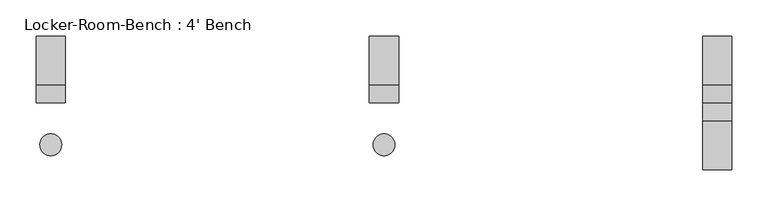
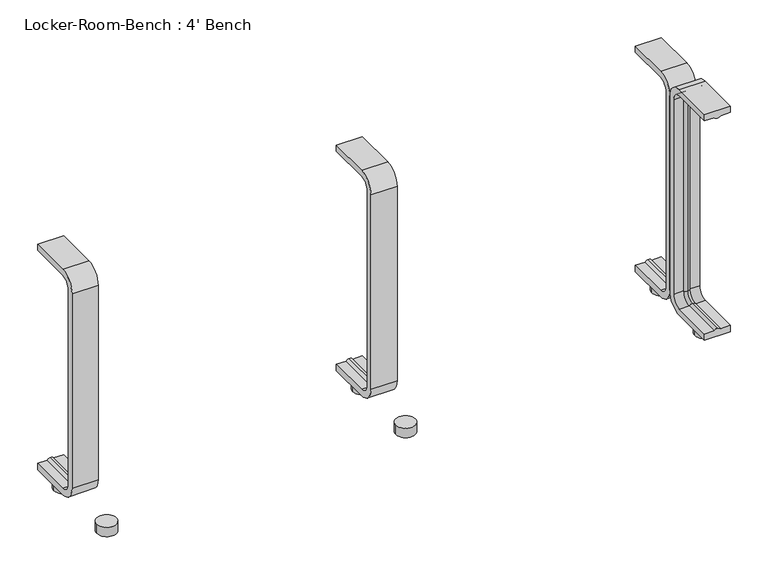
"""IFC4 building model written with IfcOpenShell, lengths in millimetres: furniture geometry, Locker-Room-Bench : 4' Bench."""

from ifc_helpers import new_model, si_unit, point, frame, frame_2d, origin, origin_with_axes, place, context, project, spatial, polyline, circle_curve, ellipse_curve, trimmed, segment, composite_curve, outline, extrude, source, transform, mapped, element, save
from ifc_brep_helpers import plane_surface, cylinder_surface, revolved_surface, advanced_brep


def locker_room_bench_4_bench_fc5dcc5e(model_context):
    return source(origin(), model_context, "Body", "SolidModel", [
        extrude(outline(composite_curve([segment(trimmed(circle_curve(frame_2d((459.6, -57.5)), 15.0), [point((444.6, -57.5))], [point((474.6, -57.5))], False, "CARTESIAN"), True, "CONTINUOUS"), segment(trimmed(circle_curve(frame_2d((459.6, -57.5)), 15.0), [point((474.6, -57.5))], [point((444.6, -57.5))], False, "CARTESIAN"), True, "CONTINUOUS")], self_intersect=False)), origin_with_axes(), (0.0, 0.0, 1.0), 15.0),
        extrude(outline(composite_curve([segment(trimmed(circle_curve(frame_2d((459.6, 57.5)), 15.0), [point((444.6, 57.5))], [point((474.6, 57.5))], False, "CARTESIAN"), True, "CONTINUOUS"), segment(trimmed(circle_curve(frame_2d((459.6, 57.5)), 15.0), [point((474.6, 57.5))], [point((444.6, 57.5))], False, "CARTESIAN"), True, "CONTINUOUS")], self_intersect=False)), origin_with_axes(), (0.0, 0.0, 1.0), 15.0),
        extrude(outline(composite_curve([segment(trimmed(circle_curve(frame_2d((0.0, -57.5)), 15.0), [point((-15.0, -57.5))], [point((15.0, -57.5))], False, "CARTESIAN"), True, "CONTINUOUS"), segment(trimmed(circle_curve(frame_2d((0.0, -57.5)), 15.0), [point((15.0, -57.5))], [point((-15.0, -57.5))], False, "CARTESIAN"), True, "CONTINUOUS")], self_intersect=False)), origin_with_axes(), (0.0, 0.0, 1.0), 15.0),
        extrude(outline(composite_curve([segment(trimmed(circle_curve(frame_2d((0.0, 57.5)), 15.0), [point((-15.0, 57.5))], [point((15.0, 57.5))], False, "CARTESIAN"), True, "CONTINUOUS"), segment(trimmed(circle_curve(frame_2d((0.0, 57.5)), 15.0), [point((15.0, 57.5))], [point((-15.0, 57.5))], False, "CARTESIAN"), True, "CONTINUOUS")], self_intersect=False)), origin_with_axes(), (0.0, 0.0, 1.0), 15.0),
        extrude(outline(composite_curve([segment(trimmed(circle_curve(frame_2d((-459.6, -57.5)), 15.0), [point((-474.6, -57.5))], [point((-444.6, -57.5))], False, "CARTESIAN"), True, "CONTINUOUS"), segment(trimmed(circle_curve(frame_2d((-459.6, -57.5)), 15.0), [point((-444.6, -57.5))], [point((-474.6, -57.5))], False, "CARTESIAN"), True, "CONTINUOUS")], self_intersect=False)), origin_with_axes(), (0.0, 0.0, 1.0), 15.0),
        extrude(outline(composite_curve([segment(trimmed(circle_curve(frame_2d((-459.6, 57.5)), 15.0), [point((-474.6, 57.5))], [point((-444.6, 57.5))], False, "CARTESIAN"), True, "CONTINUOUS"), segment(trimmed(circle_curve(frame_2d((-459.6, 57.5)), 15.0), [point((-444.6, 57.5))], [point((-474.6, 57.5))], False, "CARTESIAN"), True, "CONTINUOUS")], self_intersect=False)), origin_with_axes(), (0.0, 0.0, 1.0), 15.0),
        advanced_brep(
        [(479.6, 92.0, 381.4), (479.6, 92.0, 371.4), (464.6, 92.0, 371.4), (459.6, 92.0, 369.0684617), (454.6, 92.0, 371.4), (439.6, 92.0, 371.4), (439.6, 92.0, 381.4), (479.6, 25.0, 381.4), (479.6, 0.0, 356.4), (479.6, 0.0, 40.0), (479.6, 25.0, 15.0), (479.6, 92.0, 15.0), (479.6, 92.0, 25.0), (479.6, 25.0, 25.0), (479.6, 10.0, 40.0), (479.6, 10.0, 356.4), (479.6, 25.0, 371.4), (464.6, 25.0, 371.4), (459.6, 25.0, 369.0684617), (454.6, 25.0, 371.4), (439.6, 25.0, 371.4), (439.6, 10.0, 356.4), (439.6, 10.0, 40.0), (439.6, 25.0, 25.0), (439.6, 92.0, 25.0), (439.6, 92.0, 15.0), (439.6, 25.0, 15.0), (439.6, 0.0, 40.0), (439.6, 0.0, 356.4), (439.6, 25.0, 381.4), (464.6, 10.0, 356.4), (459.6, 12.3315383, 356.4), (454.6, 10.0, 356.4), (464.6, 10.0, 40.0), (459.6, 12.3315383, 40.0), (454.6, 10.0, 40.0), (464.6, 25.0, 25.0), (459.6, 25.0, 27.3315383), (454.6, 25.0, 25.0), (454.6, 92.0, 25.0), (459.6, 92.0, 27.3315383), (464.6, 92.0, 25.0)],
        [
            (0, 1),
            (1, 2),
            (2, 3, circle_curve(frame((459.8996409, 92.0, 374.9529162), z_axis=(0.0, 1.0, 0.0), x_axis=(0.0, 0.0, -1.0)), 5.8920785)),
            (3, 4, circle_curve(frame((459.3003591, 92.0, 374.9529162), z_axis=(0.0, 1.0, 0.0), x_axis=(0.0, 0.0, -1.0)), 5.8920785)),
            (4, 5),
            (5, 6),
            (6, 0),
            (0, 7),
            (7, 8, circle_curve(frame((479.6, 25.0, 356.4), z_axis=(1.0, 0.0, 0.0), x_axis=(0.0, 0.0, 1.0)), 25.0)),
            (8, 9),
            (9, 10, circle_curve(frame((479.6, 25.0, 40.0), z_axis=(1.0, 0.0, 0.0), x_axis=(0.0, -1.0, 0.0)), 25.0)),
            (10, 11),
            (11, 12),
            (12, 13),
            (13, 14, circle_curve(frame((479.6, 25.0, 40.0), z_axis=(-1.0, 0.0, 0.0), x_axis=(0.0, -1.0, 0.0)), 15.0)),
            (14, 15),
            (15, 16, circle_curve(frame((479.6, 25.0, 356.4), z_axis=(-1.0, 0.0, 0.0), x_axis=(0.0, 0.0, 1.0)), 15.0)),
            (16, 1),
            (16, 17),
            (17, 2),
            (17, 18, circle_curve(frame((459.8996409, 25.0, 374.9529162), z_axis=(0.0, 1.0, 0.0), x_axis=(0.0, 0.0, -1.0)), 5.8920785)),
            (18, 3),
            (18, 19, circle_curve(frame((459.3003591, 25.0, 374.9529162), z_axis=(0.0, 1.0, 0.0), x_axis=(0.0, 0.0, -1.0)), 5.8920785)),
            (19, 4),
            (19, 20),
            (20, 5),
            (20, 21, circle_curve(frame((439.6, 25.0, 356.4), z_axis=(1.0, 0.0, 0.0), x_axis=(0.0, 0.0, 1.0)), 15.0)),
            (21, 22),
            (22, 23, circle_curve(frame((439.6, 25.0, 40.0), z_axis=(1.0, 0.0, 0.0), x_axis=(0.0, -1.0, 0.0)), 15.0)),
            (23, 24),
            (24, 25),
            (25, 26),
            (26, 27, circle_curve(frame((439.6, 25.0, 40.0), z_axis=(-1.0, 0.0, 0.0), x_axis=(0.0, -1.0, 0.0)), 25.0)),
            (27, 28),
            (28, 29, circle_curve(frame((439.6, 25.0, 356.4), z_axis=(-1.0, 0.0, 0.0), x_axis=(0.0, 0.0, 1.0)), 25.0)),
            (29, 6),
            (29, 7),
            (30, 17, circle_curve(frame((464.6, 25.0, 356.4), z_axis=(-1.0, 0.0, 0.0), x_axis=(0.0, 0.0, 1.0)), 15.0)),
            (15, 30),
            (31, 18, circle_curve(frame((459.6, 25.0, 356.4), z_axis=(-1.0, 0.0, 0.0), x_axis=(0.0, 0.0, 1.0)), 12.6684617)),
            (30, 31, circle_curve(frame((459.8996409, 6.4470838, 356.4), z_axis=(0.0, 0.0, 1.0), x_axis=(0.0, 1.0, 0.0)), 5.8920785)),
            (32, 19, circle_curve(frame((454.6, 25.0, 356.4), z_axis=(-1.0, 0.0, 0.0), x_axis=(0.0, 0.0, 1.0)), 15.0)),
            (31, 32, circle_curve(frame((459.3003591, 6.4470838, 356.4), z_axis=(0.0, 0.0, 1.0), x_axis=(0.0, 1.0, 0.0)), 5.8920785)),
            (32, 21),
            (28, 8),
            (14, 33),
            (33, 30),
            (33, 34, circle_curve(frame((459.8996409, 6.4470838, 40.0), z_axis=(0.0, 0.0, 1.0), x_axis=(0.0, 1.0, 0.0)), 5.8920785)),
            (34, 31),
            (34, 35, circle_curve(frame((459.3003591, 6.4470838, 40.0), z_axis=(0.0, 0.0, 1.0), x_axis=(0.0, 1.0, 0.0)), 5.8920785)),
            (35, 32),
            (35, 22),
            (27, 9),
            (36, 33, circle_curve(frame((464.6, 25.0, 40.0), z_axis=(-1.0, 0.0, 0.0), x_axis=(0.0, -1.0, 0.0)), 15.0)),
            (13, 36),
            (37, 34, circle_curve(frame((459.6, 25.0, 40.0), z_axis=(-1.0, 0.0, 0.0), x_axis=(0.0, -1.0, 0.0)), 12.6684617)),
            (36, 37, circle_curve(frame((459.8996409, 25.0, 21.4470838), z_axis=(0.0, -1.0, 0.0), x_axis=(0.0, 0.0, 1.0)), 5.8920785)),
            (38, 35, circle_curve(frame((454.6, 25.0, 40.0), z_axis=(-1.0, 0.0, 0.0), x_axis=(0.0, -1.0, 0.0)), 15.0)),
            (37, 38, circle_curve(frame((459.3003591, 25.0, 21.4470838), z_axis=(0.0, -1.0, 0.0), x_axis=(0.0, 0.0, 1.0)), 5.8920785)),
            (38, 23),
            (26, 10),
            (11, 25),
            (24, 39),
            (39, 40, circle_curve(frame((459.3003591, 92.0, 21.4470838), z_axis=(0.0, 1.0, 0.0), x_axis=(0.0, 0.0, 1.0)), 5.8920785)),
            (40, 41, circle_curve(frame((459.8996409, 92.0, 21.4470838), z_axis=(0.0, 1.0, 0.0), x_axis=(0.0, 0.0, 1.0)), 5.8920785)),
            (41, 12),
            (41, 36),
            (40, 37),
            (39, 38),
        ],
        [
            plane_surface(frame((459.6, 92.0, 381.4), z_axis=(0.0, 1.0, 0.0), x_axis=(1.0, 0.0, 0.0))),
            plane_surface(frame((479.6, 92.0, 381.4), z_axis=(1.0, 0.0, 0.0), x_axis=(0.0, -1.0, 0.0))),
            plane_surface(frame((479.6, 92.0, 371.4), z_axis=(0.0, 0.0, -1.0), x_axis=(0.0, -1.0, 0.0))),
            cylinder_surface(frame((459.8996409, 92.0, 374.9529162), z_axis=(0.0, 1.0, 0.0), x_axis=(0.0, 0.0, -1.0)), 5.8920785),
            cylinder_surface(frame((459.3003591, 92.0, 374.9529162), z_axis=(0.0, 1.0, 0.0), x_axis=(0.0, 0.0, -1.0)), 5.8920785),
            plane_surface(frame((454.6, 92.0, 371.4), z_axis=(0.0, 0.0, -1.0), x_axis=(0.0, -1.0, 0.0))),
            plane_surface(frame((439.6, 92.0, 371.4), z_axis=(-1.0, 0.0, 0.0), x_axis=(0.0, -1.0, 0.0))),
            plane_surface(frame((439.6, 92.0, 381.4), z_axis=(0.0, 0.0, 1.0), x_axis=(0.0, -1.0, 0.0))),
            revolved_surface(polyline([(479.6, 25.0, 371.4), (464.6, 25.0, 371.4)]), (459.6, 25.0, 356.4), (1.0, 0.0, 0.0)),
            revolved_surface(trimmed(ellipse_curve(frame((459.8996409, 25.0, 374.9529162), z_axis=(0.0, 1.0, 0.0), x_axis=(0.0, 0.0, -1.0)), 5.8920785, 5.8920785), [point((464.6, 25.0, 371.4))], [point((459.6, 25.0, 369.0684617))], True, "CARTESIAN"), (459.6, 25.0, 356.4), (1.0, 0.0, 0.0)),
            revolved_surface(trimmed(ellipse_curve(frame((459.3003591, 25.0, 374.9529162), z_axis=(0.0, 1.0, 0.0), x_axis=(0.0, 0.0, -1.0)), 5.8920785, 5.8920785), [point((459.6, 25.0, 369.0684617))], [point((454.6, 25.0, 371.4))], True, "CARTESIAN"), (459.6, 25.0, 356.4), (1.0, 0.0, 0.0)),
            revolved_surface(polyline([(454.6, 25.0, 371.4), (439.6, 25.0, 371.4)]), (459.6, 25.0, 356.4), (1.0, 0.0, 0.0)),
            cylinder_surface(frame((459.6, 25.0, 356.4), z_axis=(1.0, 0.0, 0.0), x_axis=(0.0, 0.0, 1.0)), 25.0),
            plane_surface(frame((479.6, 10.0, 356.4), z_axis=(0.0, 1.0, 0.0), x_axis=(0.0, 0.0, -1.0))),
            cylinder_surface(frame((459.8996409, 6.4470838, 356.4), z_axis=(0.0, 0.0, 1.0), x_axis=(0.0, 1.0, 0.0)), 5.8920785),
            cylinder_surface(frame((459.3003591, 6.4470838, 356.4), z_axis=(0.0, 0.0, 1.0), x_axis=(0.0, 1.0, 0.0)), 5.8920785),
            plane_surface(frame((454.6, 10.0, 356.4), z_axis=(0.0, 1.0, 0.0), x_axis=(0.0, 0.0, -1.0))),
            plane_surface(frame((439.6, 0.0, 356.4), z_axis=(0.0, -1.0, 0.0), x_axis=(0.0, 0.0, -1.0))),
            revolved_surface(polyline([(479.6, 10.0, 40.0), (464.6, 10.0, 40.0)]), (459.6, 25.0, 40.0), (1.0, 0.0, 0.0)),
            revolved_surface(trimmed(ellipse_curve(frame((459.8996409, 6.4470838, 40.0), z_axis=(0.0, 0.0, 1.0), x_axis=(0.0, 1.0, 0.0)), 5.8920785, 5.8920785), [point((464.6, 10.0, 40.0))], [point((459.6, 12.3315383, 40.0))], True, "CARTESIAN"), (459.6, 25.0, 40.0), (1.0, 0.0, 0.0)),
            revolved_surface(trimmed(ellipse_curve(frame((459.3003591, 6.4470838, 40.0), z_axis=(0.0, 0.0, 1.0), x_axis=(0.0, 1.0, 0.0)), 5.8920785, 5.8920785), [point((459.6, 12.3315383, 40.0))], [point((454.6, 10.0, 40.0))], True, "CARTESIAN"), (459.6, 25.0, 40.0), (1.0, 0.0, 0.0)),
            revolved_surface(polyline([(454.6, 10.0, 40.0), (439.6, 10.0, 40.0)]), (459.6, 25.0, 40.0), (1.0, 0.0, 0.0)),
            cylinder_surface(frame((459.6, 25.0, 40.0), z_axis=(1.0, 0.0, 0.0), x_axis=(0.0, -1.0, 0.0)), 25.0),
            plane_surface(frame((459.6, 92.0, 15.0), z_axis=(0.0, 1.0, 0.0), x_axis=(1.0, 0.0, 0.0))),
            plane_surface(frame((479.6, 25.0, 25.0), z_axis=(0.0, 0.0, 1.0), x_axis=(0.0, 1.0, 0.0))),
            cylinder_surface(frame((459.8996409, 25.0, 21.4470838), z_axis=(0.0, -1.0, 0.0), x_axis=(0.0, 0.0, 1.0)), 5.8920785),
            cylinder_surface(frame((459.3003591, 25.0, 21.4470838), z_axis=(0.0, -1.0, 0.0), x_axis=(0.0, 0.0, 1.0)), 5.8920785),
            plane_surface(frame((454.6, 25.0, 25.0), z_axis=(0.0, 0.0, 1.0), x_axis=(0.0, 1.0, 0.0))),
            plane_surface(frame((439.6, 25.0, 15.0), z_axis=(0.0, 0.0, -1.0), x_axis=(0.0, 1.0, 0.0))),
        ],
        [
            (0, [[1, 2, 3, 4, 5, 6, 7]]),
            (1, [[-1, 8, 9, 10, 11, 12, 13, 14, 15, 16, 17, 18]]),
            (2, [[-2, -18, 19, 20]]),
            (3, [[-3, -20, 21, 22]]),
            (4, [[-4, -22, 23, 24]]),
            (5, [[-5, -24, 25, 26]]),
            (6, [[-6, -26, 27, 28, 29, 30, 31, 32, 33, 34, 35, 36]]),
            (7, [[-7, -36, 37, -8]]),
            (8, [[38, -19, -17, 39]]),
            (9, [[40, -21, -38, 41]]),
            (10, [[42, -23, -40, 43]]),
            (11, [[-27, -25, -42, 44]]),
            (12, [[-9, -37, -35, 45]]),
            (13, [[-39, -16, 46, 47]]),
            (14, [[-41, -47, 48, 49]]),
            (15, [[-43, -49, 50, 51]]),
            (16, [[-44, -51, 52, -28]]),
            (17, [[-45, -34, 53, -10]]),
            (18, [[54, -46, -15, 55]]),
            (19, [[56, -48, -54, 57]]),
            (20, [[58, -50, -56, 59]]),
            (21, [[-29, -52, -58, 60]]),
            (22, [[-11, -53, -33, 61]]),
            (23, [[62, -31, 63, 64, 65, 66, -13]]),
            (24, [[-55, -14, -66, 67]]),
            (25, [[-57, -67, -65, 68]]),
            (26, [[-59, -68, -64, 69]]),
            (27, [[-60, -69, -63, -30]]),
            (28, [[-61, -32, -62, -12]]),
        ],
    ),
        advanced_brep(
        [(20.0, 92.0, 381.4), (20.0, 92.0, 371.4), (5.0, 92.0, 371.4), (0.0, 92.0, 369.0684617), (-5.0, 92.0, 371.4), (-20.0, 92.0, 371.4), (-20.0, 92.0, 381.4), (20.0, 25.0, 381.4), (20.0, 0.0, 356.4), (20.0, 0.0, 40.0), (20.0, 25.0, 15.0), (20.0, 92.0, 15.0), (20.0, 92.0, 25.0), (20.0, 25.0, 25.0), (20.0, 10.0, 40.0), (20.0, 10.0, 356.4), (20.0, 25.0, 371.4), (5.0, 25.0, 371.4), (0.0, 25.0, 369.0684617), (-5.0, 25.0, 371.4), (-20.0, 25.0, 371.4), (-20.0, 10.0, 356.4), (-20.0, 10.0, 40.0), (-20.0, 25.0, 25.0), (-20.0, 92.0, 25.0), (-20.0, 92.0, 15.0), (-20.0, 25.0, 15.0), (-20.0, 0.0, 40.0), (-20.0, 0.0, 356.4), (-20.0, 25.0, 381.4), (5.0, 10.0, 356.4), (0.0, 12.3315383, 356.4), (-5.0, 10.0, 356.4), (5.0, 10.0, 40.0), (0.0, 12.3315383, 40.0), (-5.0, 10.0, 40.0), (5.0, 25.0, 25.0), (0.0, 25.0, 27.3315383), (-5.0, 25.0, 25.0), (-5.0, 92.0, 25.0), (0.0, 92.0, 27.3315383), (5.0, 92.0, 25.0)],
        [
            (0, 1),
            (1, 2),
            (2, 3, circle_curve(frame((0.2996409, 92.0, 374.9529162), z_axis=(0.0, 1.0, 0.0), x_axis=(0.0, 0.0, -1.0)), 5.8920785)),
            (3, 4, circle_curve(frame((-0.2996409, 92.0, 374.9529162), z_axis=(0.0, 1.0, 0.0), x_axis=(0.0, 0.0, -1.0)), 5.8920785)),
            (4, 5),
            (5, 6),
            (6, 0),
            (0, 7),
            (7, 8, circle_curve(frame((20.0, 25.0, 356.4), z_axis=(1.0, 0.0, 0.0), x_axis=(0.0, 0.0, 1.0)), 25.0)),
            (8, 9),
            (9, 10, circle_curve(frame((20.0, 25.0, 40.0), z_axis=(1.0, 0.0, 0.0), x_axis=(0.0, -1.0, 0.0)), 25.0)),
            (10, 11),
            (11, 12),
            (12, 13),
            (13, 14, circle_curve(frame((20.0, 25.0, 40.0), z_axis=(-1.0, 0.0, 0.0), x_axis=(0.0, -1.0, 0.0)), 15.0)),
            (14, 15),
            (15, 16, circle_curve(frame((20.0, 25.0, 356.4), z_axis=(-1.0, 0.0, 0.0), x_axis=(0.0, 0.0, 1.0)), 15.0)),
            (16, 1),
            (16, 17),
            (17, 2),
            (17, 18, circle_curve(frame((0.2996409, 25.0, 374.9529162), z_axis=(0.0, 1.0, 0.0), x_axis=(0.0, 0.0, -1.0)), 5.8920785)),
            (18, 3),
            (18, 19, circle_curve(frame((-0.2996409, 25.0, 374.9529162), z_axis=(0.0, 1.0, 0.0), x_axis=(0.0, 0.0, -1.0)), 5.8920785)),
            (19, 4),
            (19, 20),
            (20, 5),
            (20, 21, circle_curve(frame((-20.0, 25.0, 356.4), z_axis=(1.0, 0.0, 0.0), x_axis=(0.0, 0.0, 1.0)), 15.0)),
            (21, 22),
            (22, 23, circle_curve(frame((-20.0, 25.0, 40.0), z_axis=(1.0, 0.0, 0.0), x_axis=(0.0, -1.0, 0.0)), 15.0)),
            (23, 24),
            (24, 25),
            (25, 26),
            (26, 27, circle_curve(frame((-20.0, 25.0, 40.0), z_axis=(-1.0, 0.0, 0.0), x_axis=(0.0, -1.0, 0.0)), 25.0)),
            (27, 28),
            (28, 29, circle_curve(frame((-20.0, 25.0, 356.4), z_axis=(-1.0, 0.0, 0.0), x_axis=(0.0, 0.0, 1.0)), 25.0)),
            (29, 6),
            (29, 7),
            (30, 17, circle_curve(frame((5.0, 25.0, 356.4), z_axis=(-1.0, 0.0, 0.0), x_axis=(0.0, 0.0, 1.0)), 15.0)),
            (15, 30),
            (31, 18, circle_curve(frame((0.0, 25.0, 356.4), z_axis=(-1.0, 0.0, 0.0), x_axis=(0.0, 0.0, 1.0)), 12.6684617)),
            (30, 31, circle_curve(frame((0.2996409, 6.4470838, 356.4), z_axis=(0.0, 0.0, 1.0), x_axis=(0.0, 1.0, 0.0)), 5.8920785)),
            (32, 19, circle_curve(frame((-5.0, 25.0, 356.4), z_axis=(-1.0, 0.0, 0.0), x_axis=(0.0, 0.0, 1.0)), 15.0)),
            (31, 32, circle_curve(frame((-0.2996409, 6.4470838, 356.4), z_axis=(0.0, 0.0, 1.0), x_axis=(0.0, 1.0, 0.0)), 5.8920785)),
            (32, 21),
            (28, 8),
            (14, 33),
            (33, 30),
            (33, 34, circle_curve(frame((0.2996409, 6.4470838, 40.0), z_axis=(0.0, 0.0, 1.0), x_axis=(0.0, 1.0, 0.0)), 5.8920785)),
            (34, 31),
            (34, 35, circle_curve(frame((-0.2996409, 6.4470838, 40.0), z_axis=(0.0, 0.0, 1.0), x_axis=(0.0, 1.0, 0.0)), 5.8920785)),
            (35, 32),
            (35, 22),
            (27, 9),
            (36, 33, circle_curve(frame((5.0, 25.0, 40.0), z_axis=(-1.0, 0.0, 0.0), x_axis=(0.0, -1.0, 0.0)), 15.0)),
            (13, 36),
            (37, 34, circle_curve(frame((0.0, 25.0, 40.0), z_axis=(-1.0, 0.0, 0.0), x_axis=(0.0, -1.0, 0.0)), 12.6684617)),
            (36, 37, circle_curve(frame((0.2996409, 25.0, 21.4470838), z_axis=(0.0, -1.0, 0.0), x_axis=(0.0, 0.0, 1.0)), 5.8920785)),
            (38, 35, circle_curve(frame((-5.0, 25.0, 40.0), z_axis=(-1.0, 0.0, 0.0), x_axis=(0.0, -1.0, 0.0)), 15.0)),
            (37, 38, circle_curve(frame((-0.2996409, 25.0, 21.4470838), z_axis=(0.0, -1.0, 0.0), x_axis=(0.0, 0.0, 1.0)), 5.8920785)),
            (38, 23),
            (26, 10),
            (11, 25),
            (24, 39),
            (39, 40, circle_curve(frame((-0.2996409, 92.0, 21.4470838), z_axis=(0.0, 1.0, 0.0), x_axis=(0.0, 0.0, 1.0)), 5.8920785)),
            (40, 41, circle_curve(frame((0.2996409, 92.0, 21.4470838), z_axis=(0.0, 1.0, 0.0), x_axis=(0.0, 0.0, 1.0)), 5.8920785)),
            (41, 12),
            (41, 36),
            (40, 37),
            (39, 38),
        ],
        [
            plane_surface(frame((0.0, 92.0, 381.4), z_axis=(0.0, 1.0, 0.0), x_axis=(1.0, 0.0, 0.0))),
            plane_surface(frame((20.0, 92.0, 381.4), z_axis=(1.0, 0.0, 0.0), x_axis=(0.0, -1.0, 0.0))),
            plane_surface(frame((20.0, 92.0, 371.4), z_axis=(0.0, 0.0, -1.0), x_axis=(0.0, -1.0, 0.0))),
            cylinder_surface(frame((0.2996409, 92.0, 374.9529162), z_axis=(0.0, 1.0, 0.0), x_axis=(0.0, 0.0, -1.0)), 5.8920785),
            cylinder_surface(frame((-0.2996409, 92.0, 374.9529162), z_axis=(0.0, 1.0, 0.0), x_axis=(0.0, 0.0, -1.0)), 5.8920785),
            plane_surface(frame((-5.0, 92.0, 371.4), z_axis=(0.0, 0.0, -1.0), x_axis=(0.0, -1.0, 0.0))),
            plane_surface(frame((-20.0, 92.0, 371.4), z_axis=(-1.0, 0.0, 0.0), x_axis=(0.0, -1.0, 0.0))),
            plane_surface(frame((-20.0, 92.0, 381.4), z_axis=(0.0, 0.0, 1.0), x_axis=(0.0, -1.0, 0.0))),
            revolved_surface(polyline([(20.0, 25.0, 371.4), (5.0, 25.0, 371.4)]), (0.0, 25.0, 356.4), (1.0, 0.0, 0.0)),
            revolved_surface(trimmed(ellipse_curve(frame((0.2996409, 25.0, 374.9529162), z_axis=(0.0, 1.0, 0.0), x_axis=(0.0, 0.0, -1.0)), 5.8920785, 5.8920785), [point((5.0, 25.0, 371.4))], [point((0.0, 25.0, 369.0684617))], True, "CARTESIAN"), (0.0, 25.0, 356.4), (1.0, 0.0, 0.0)),
            revolved_surface(trimmed(ellipse_curve(frame((-0.2996409, 25.0, 374.9529162), z_axis=(0.0, 1.0, 0.0), x_axis=(0.0, 0.0, -1.0)), 5.8920785, 5.8920785), [point((0.0, 25.0, 369.0684617))], [point((-5.0, 25.0, 371.4))], True, "CARTESIAN"), (0.0, 25.0, 356.4), (1.0, 0.0, 0.0)),
            revolved_surface(polyline([(-5.0, 25.0, 371.4), (-20.0, 25.0, 371.4)]), (0.0, 25.0, 356.4), (1.0, 0.0, 0.0)),
            cylinder_surface(frame((0.0, 25.0, 356.4), z_axis=(1.0, 0.0, 0.0), x_axis=(0.0, 0.0, 1.0)), 25.0),
            plane_surface(frame((20.0, 10.0, 356.4), z_axis=(0.0, 1.0, 0.0), x_axis=(0.0, 0.0, -1.0))),
            cylinder_surface(frame((0.2996409, 6.4470838, 356.4), z_axis=(0.0, 0.0, 1.0), x_axis=(0.0, 1.0, 0.0)), 5.8920785),
            cylinder_surface(frame((-0.2996409, 6.4470838, 356.4), z_axis=(0.0, 0.0, 1.0), x_axis=(0.0, 1.0, 0.0)), 5.8920785),
            plane_surface(frame((-5.0, 10.0, 356.4), z_axis=(0.0, 1.0, 0.0), x_axis=(0.0, 0.0, -1.0))),
            plane_surface(frame((-20.0, 0.0, 356.4), z_axis=(0.0, -1.0, 0.0), x_axis=(0.0, 0.0, -1.0))),
            revolved_surface(polyline([(20.0, 10.0, 40.0), (5.0, 10.0, 40.0)]), (0.0, 25.0, 40.0), (1.0, 0.0, 0.0)),
            revolved_surface(trimmed(ellipse_curve(frame((0.2996409, 6.4470838, 40.0), z_axis=(0.0, 0.0, 1.0), x_axis=(0.0, 1.0, 0.0)), 5.8920785, 5.8920785), [point((5.0, 10.0, 40.0))], [point((0.0, 12.3315383, 40.0))], True, "CARTESIAN"), (0.0, 25.0, 40.0), (1.0, 0.0, 0.0)),
            revolved_surface(trimmed(ellipse_curve(frame((-0.2996409, 6.4470838, 40.0), z_axis=(0.0, 0.0, 1.0), x_axis=(0.0, 1.0, 0.0)), 5.8920785, 5.8920785), [point((0.0, 12.3315383, 40.0))], [point((-5.0, 10.0, 40.0))], True, "CARTESIAN"), (0.0, 25.0, 40.0), (1.0, 0.0, 0.0)),
            revolved_surface(polyline([(-5.0, 10.0, 40.0), (-20.0, 10.0, 40.0)]), (0.0, 25.0, 40.0), (1.0, 0.0, 0.0)),
            cylinder_surface(frame((0.0, 25.0, 40.0), z_axis=(1.0, 0.0, 0.0), x_axis=(0.0, -1.0, 0.0)), 25.0),
            plane_surface(frame((0.0, 92.0, 15.0), z_axis=(0.0, 1.0, 0.0), x_axis=(1.0, 0.0, 0.0))),
            plane_surface(frame((20.0, 25.0, 25.0), z_axis=(0.0, 0.0, 1.0), x_axis=(0.0, 1.0, 0.0))),
            cylinder_surface(frame((0.2996409, 25.0, 21.4470838), z_axis=(0.0, -1.0, 0.0), x_axis=(0.0, 0.0, 1.0)), 5.8920785),
            cylinder_surface(frame((-0.2996409, 25.0, 21.4470838), z_axis=(0.0, -1.0, 0.0), x_axis=(0.0, 0.0, 1.0)), 5.8920785),
            plane_surface(frame((-5.0, 25.0, 25.0), z_axis=(0.0, 0.0, 1.0), x_axis=(0.0, 1.0, 0.0))),
            plane_surface(frame((-20.0, 25.0, 15.0), z_axis=(0.0, 0.0, -1.0), x_axis=(0.0, 1.0, 0.0))),
        ],
        [
            (0, [[1, 2, 3, 4, 5, 6, 7]]),
            (1, [[-1, 8, 9, 10, 11, 12, 13, 14, 15, 16, 17, 18]]),
            (2, [[-2, -18, 19, 20]]),
            (3, [[-3, -20, 21, 22]]),
            (4, [[-4, -22, 23, 24]]),
            (5, [[-5, -24, 25, 26]]),
            (6, [[-6, -26, 27, 28, 29, 30, 31, 32, 33, 34, 35, 36]]),
            (7, [[-7, -36, 37, -8]]),
            (8, [[38, -19, -17, 39]]),
            (9, [[40, -21, -38, 41]]),
            (10, [[42, -23, -40, 43]]),
            (11, [[-27, -25, -42, 44]]),
            (12, [[-9, -37, -35, 45]]),
            (13, [[-39, -16, 46, 47]]),
            (14, [[-41, -47, 48, 49]]),
            (15, [[-43, -49, 50, 51]]),
            (16, [[-44, -51, 52, -28]]),
            (17, [[-45, -34, 53, -10]]),
            (18, [[54, -46, -15, 55]]),
            (19, [[56, -48, -54, 57]]),
            (20, [[58, -50, -56, 59]]),
            (21, [[-29, -52, -58, 60]]),
            (22, [[-11, -53, -33, 61]]),
            (23, [[62, -31, 63, 64, 65, 66, -13]]),
            (24, [[-55, -14, -66, 67]]),
            (25, [[-57, -67, -65, 68]]),
            (26, [[-59, -68, -64, 69]]),
            (27, [[-60, -69, -63, -30]]),
            (28, [[-61, -32, -62, -12]]),
        ],
    ),
        advanced_brep(
        [(-439.6, 92.0, 381.4), (-439.6, 92.0, 371.4), (-454.6, 92.0, 371.4), (-459.6, 92.0, 369.0684617), (-464.6, 92.0, 371.4), (-479.6, 92.0, 371.4), (-479.6, 92.0, 381.4), (-439.6, 25.0, 381.4), (-439.6, 0.0, 356.4), (-439.6, 0.0, 40.0), (-439.6, 25.0, 15.0), (-439.6, 92.0, 15.0), (-439.6, 92.0, 25.0), (-439.6, 25.0, 25.0), (-439.6, 10.0, 40.0), (-439.6, 10.0, 356.4), (-439.6, 25.0, 371.4), (-454.6, 25.0, 371.4), (-459.6, 25.0, 369.0684617), (-464.6, 25.0, 371.4), (-479.6, 25.0, 371.4), (-479.6, 10.0, 356.4), (-479.6, 10.0, 40.0), (-479.6, 25.0, 25.0), (-479.6, 92.0, 25.0), (-479.6, 92.0, 15.0), (-479.6, 25.0, 15.0), (-479.6, 0.0, 40.0), (-479.6, 0.0, 356.4), (-479.6, 25.0, 381.4), (-454.6, 10.0, 356.4), (-459.6, 12.3315383, 356.4), (-464.6, 10.0, 356.4), (-454.6, 10.0, 40.0), (-459.6, 12.3315383, 40.0), (-464.6, 10.0, 40.0), (-454.6, 25.0, 25.0), (-459.6, 25.0, 27.3315383), (-464.6, 25.0, 25.0), (-464.6, 92.0, 25.0), (-459.6, 92.0, 27.3315383), (-454.6, 92.0, 25.0)],
        [
            (0, 1),
            (1, 2),
            (2, 3, circle_curve(frame((-459.3003591, 92.0, 374.9529162), z_axis=(0.0, 1.0, 0.0), x_axis=(0.0, 0.0, -1.0)), 5.8920785)),
            (3, 4, circle_curve(frame((-459.8996409, 92.0, 374.9529162), z_axis=(0.0, 1.0, 0.0), x_axis=(0.0, 0.0, -1.0)), 5.8920785)),
            (4, 5),
            (5, 6),
            (6, 0),
            (0, 7),
            (7, 8, circle_curve(frame((-439.6, 25.0, 356.4), z_axis=(1.0, 0.0, 0.0), x_axis=(0.0, 0.0, 1.0)), 25.0)),
            (8, 9),
            (9, 10, circle_curve(frame((-439.6, 25.0, 40.0), z_axis=(1.0, 0.0, 0.0), x_axis=(0.0, -1.0, 0.0)), 25.0)),
            (10, 11),
            (11, 12),
            (12, 13),
            (13, 14, circle_curve(frame((-439.6, 25.0, 40.0), z_axis=(-1.0, 0.0, 0.0), x_axis=(0.0, -1.0, 0.0)), 15.0)),
            (14, 15),
            (15, 16, circle_curve(frame((-439.6, 25.0, 356.4), z_axis=(-1.0, 0.0, 0.0), x_axis=(0.0, 0.0, 1.0)), 15.0)),
            (16, 1),
            (16, 17),
            (17, 2),
            (17, 18, circle_curve(frame((-459.3003591, 25.0, 374.9529162), z_axis=(0.0, 1.0, 0.0), x_axis=(0.0, 0.0, -1.0)), 5.8920785)),
            (18, 3),
            (18, 19, circle_curve(frame((-459.8996409, 25.0, 374.9529162), z_axis=(0.0, 1.0, 0.0), x_axis=(0.0, 0.0, -1.0)), 5.8920785)),
            (19, 4),
            (19, 20),
            (20, 5),
            (20, 21, circle_curve(frame((-479.6, 25.0, 356.4), z_axis=(1.0, 0.0, 0.0), x_axis=(0.0, 0.0, 1.0)), 15.0)),
            (21, 22),
            (22, 23, circle_curve(frame((-479.6, 25.0, 40.0), z_axis=(1.0, 0.0, 0.0), x_axis=(0.0, -1.0, 0.0)), 15.0)),
            (23, 24),
            (24, 25),
            (25, 26),
            (26, 27, circle_curve(frame((-479.6, 25.0, 40.0), z_axis=(-1.0, 0.0, 0.0), x_axis=(0.0, -1.0, 0.0)), 25.0)),
            (27, 28),
            (28, 29, circle_curve(frame((-479.6, 25.0, 356.4), z_axis=(-1.0, 0.0, 0.0), x_axis=(0.0, 0.0, 1.0)), 25.0)),
            (29, 6),
            (29, 7),
            (30, 17, circle_curve(frame((-454.6, 25.0, 356.4), z_axis=(-1.0, 0.0, 0.0), x_axis=(0.0, 0.0, 1.0)), 15.0)),
            (15, 30),
            (31, 18, circle_curve(frame((-459.6, 25.0, 356.4), z_axis=(-1.0, 0.0, 0.0), x_axis=(0.0, 0.0, 1.0)), 12.6684617)),
            (30, 31, circle_curve(frame((-459.3003591, 6.4470838, 356.4), z_axis=(0.0, 0.0, 1.0), x_axis=(0.0, 1.0, 0.0)), 5.8920785)),
            (32, 19, circle_curve(frame((-464.6, 25.0, 356.4), z_axis=(-1.0, 0.0, 0.0), x_axis=(0.0, 0.0, 1.0)), 15.0)),
            (31, 32, circle_curve(frame((-459.8996409, 6.4470838, 356.4), z_axis=(0.0, 0.0, 1.0), x_axis=(0.0, 1.0, 0.0)), 5.8920785)),
            (32, 21),
            (28, 8),
            (14, 33),
            (33, 30),
            (33, 34, circle_curve(frame((-459.3003591, 6.4470838, 40.0), z_axis=(0.0, 0.0, 1.0), x_axis=(0.0, 1.0, 0.0)), 5.8920785)),
            (34, 31),
            (34, 35, circle_curve(frame((-459.8996409, 6.4470838, 40.0), z_axis=(0.0, 0.0, 1.0), x_axis=(0.0, 1.0, 0.0)), 5.8920785)),
            (35, 32),
            (35, 22),
            (27, 9),
            (36, 33, circle_curve(frame((-454.6, 25.0, 40.0), z_axis=(-1.0, 0.0, 0.0), x_axis=(0.0, -1.0, 0.0)), 15.0)),
            (13, 36),
            (37, 34, circle_curve(frame((-459.6, 25.0, 40.0), z_axis=(-1.0, 0.0, 0.0), x_axis=(0.0, -1.0, 0.0)), 12.6684617)),
            (36, 37, circle_curve(frame((-459.3003591, 25.0, 21.4470838), z_axis=(0.0, -1.0, 0.0), x_axis=(0.0, 0.0, 1.0)), 5.8920785)),
            (38, 35, circle_curve(frame((-464.6, 25.0, 40.0), z_axis=(-1.0, 0.0, 0.0), x_axis=(0.0, -1.0, 0.0)), 15.0)),
            (37, 38, circle_curve(frame((-459.8996409, 25.0, 21.4470838), z_axis=(0.0, -1.0, 0.0), x_axis=(0.0, 0.0, 1.0)), 5.8920785)),
            (38, 23),
            (26, 10),
            (11, 25),
            (24, 39),
            (39, 40, circle_curve(frame((-459.8996409, 92.0, 21.4470838), z_axis=(0.0, 1.0, 0.0), x_axis=(0.0, 0.0, 1.0)), 5.8920785)),
            (40, 41, circle_curve(frame((-459.3003591, 92.0, 21.4470838), z_axis=(0.0, 1.0, 0.0), x_axis=(0.0, 0.0, 1.0)), 5.8920785)),
            (41, 12),
            (41, 36),
            (40, 37),
            (39, 38),
        ],
        [
            plane_surface(frame((-459.6, 92.0, 381.4), z_axis=(0.0, 1.0, 0.0), x_axis=(1.0, 0.0, 0.0))),
            plane_surface(frame((-439.6, 92.0, 381.4), z_axis=(1.0, 0.0, 0.0), x_axis=(0.0, -1.0, 0.0))),
            plane_surface(frame((-439.6, 92.0, 371.4), z_axis=(0.0, 0.0, -1.0), x_axis=(0.0, -1.0, 0.0))),
            cylinder_surface(frame((-459.3003591, 92.0, 374.9529162), z_axis=(0.0, 1.0, 0.0), x_axis=(0.0, 0.0, -1.0)), 5.8920785),
            cylinder_surface(frame((-459.8996409, 92.0, 374.9529162), z_axis=(0.0, 1.0, 0.0), x_axis=(0.0, 0.0, -1.0)), 5.8920785),
            plane_surface(frame((-464.6, 92.0, 371.4), z_axis=(0.0, 0.0, -1.0), x_axis=(0.0, -1.0, 0.0))),
            plane_surface(frame((-479.6, 92.0, 371.4), z_axis=(-1.0, 0.0, 0.0), x_axis=(0.0, -1.0, 0.0))),
            plane_surface(frame((-479.6, 92.0, 381.4), z_axis=(0.0, 0.0, 1.0), x_axis=(0.0, -1.0, 0.0))),
            revolved_surface(polyline([(-439.6, 25.0, 371.4), (-454.6, 25.0, 371.4)]), (-459.6, 25.0, 356.4), (1.0, 0.0, 0.0)),
            revolved_surface(trimmed(ellipse_curve(frame((-459.3003591, 25.0, 374.9529162), z_axis=(0.0, 1.0, 0.0), x_axis=(0.0, 0.0, -1.0)), 5.8920785, 5.8920785), [point((-454.6, 25.0, 371.4))], [point((-459.6, 25.0, 369.0684617))], True, "CARTESIAN"), (-459.6, 25.0, 356.4), (1.0, 0.0, 0.0)),
            revolved_surface(trimmed(ellipse_curve(frame((-459.8996409, 25.0, 374.9529162), z_axis=(0.0, 1.0, 0.0), x_axis=(0.0, 0.0, -1.0)), 5.8920785, 5.8920785), [point((-459.6, 25.0, 369.0684617))], [point((-464.6, 25.0, 371.4))], True, "CARTESIAN"), (-459.6, 25.0, 356.4), (1.0, 0.0, 0.0)),
            revolved_surface(polyline([(-464.6, 25.0, 371.4), (-479.6, 25.0, 371.4)]), (-459.6, 25.0, 356.4), (1.0, 0.0, 0.0)),
            cylinder_surface(frame((-459.6, 25.0, 356.4), z_axis=(1.0, 0.0, 0.0), x_axis=(0.0, 0.0, 1.0)), 25.0),
            plane_surface(frame((-439.6, 10.0, 356.4), z_axis=(0.0, 1.0, 0.0), x_axis=(0.0, 0.0, -1.0))),
            cylinder_surface(frame((-459.3003591, 6.4470838, 356.4), z_axis=(0.0, 0.0, 1.0), x_axis=(0.0, 1.0, 0.0)), 5.8920785),
            cylinder_surface(frame((-459.8996409, 6.4470838, 356.4), z_axis=(0.0, 0.0, 1.0), x_axis=(0.0, 1.0, 0.0)), 5.8920785),
            plane_surface(frame((-464.6, 10.0, 356.4), z_axis=(0.0, 1.0, 0.0), x_axis=(0.0, 0.0, -1.0))),
            plane_surface(frame((-479.6, 0.0, 356.4), z_axis=(0.0, -1.0, 0.0), x_axis=(0.0, 0.0, -1.0))),
            revolved_surface(polyline([(-439.6, 10.0, 40.0), (-454.6, 10.0, 40.0)]), (-459.6, 25.0, 40.0), (1.0, 0.0, 0.0)),
            revolved_surface(trimmed(ellipse_curve(frame((-459.3003591, 6.4470838, 40.0), z_axis=(0.0, 0.0, 1.0), x_axis=(0.0, 1.0, 0.0)), 5.8920785, 5.8920785), [point((-454.6, 10.0, 40.0))], [point((-459.6, 12.3315383, 40.0))], True, "CARTESIAN"), (-459.6, 25.0, 40.0), (1.0, 0.0, 0.0)),
            revolved_surface(trimmed(ellipse_curve(frame((-459.8996409, 6.4470838, 40.0), z_axis=(0.0, 0.0, 1.0), x_axis=(0.0, 1.0, 0.0)), 5.8920785, 5.8920785), [point((-459.6, 12.3315383, 40.0))], [point((-464.6, 10.0, 40.0))], True, "CARTESIAN"), (-459.6, 25.0, 40.0), (1.0, 0.0, 0.0)),
            revolved_surface(polyline([(-464.6, 10.0, 40.0), (-479.6, 10.0, 40.0)]), (-459.6, 25.0, 40.0), (1.0, 0.0, 0.0)),
            cylinder_surface(frame((-459.6, 25.0, 40.0), z_axis=(1.0, 0.0, 0.0), x_axis=(0.0, -1.0, 0.0)), 25.0),
            plane_surface(frame((-459.6, 92.0, 15.0), z_axis=(0.0, 1.0, 0.0), x_axis=(1.0, 0.0, 0.0))),
            plane_surface(frame((-439.6, 25.0, 25.0), z_axis=(0.0, 0.0, 1.0), x_axis=(0.0, 1.0, 0.0))),
            cylinder_surface(frame((-459.3003591, 25.0, 21.4470838), z_axis=(0.0, -1.0, 0.0), x_axis=(0.0, 0.0, 1.0)), 5.8920785),
            cylinder_surface(frame((-459.8996409, 25.0, 21.4470838), z_axis=(0.0, -1.0, 0.0), x_axis=(0.0, 0.0, 1.0)), 5.8920785),
            plane_surface(frame((-464.6, 25.0, 25.0), z_axis=(0.0, 0.0, 1.0), x_axis=(0.0, 1.0, 0.0))),
            plane_surface(frame((-479.6, 25.0, 15.0), z_axis=(0.0, 0.0, -1.0), x_axis=(0.0, 1.0, 0.0))),
        ],
        [
            (0, [[1, 2, 3, 4, 5, 6, 7]]),
            (1, [[-1, 8, 9, 10, 11, 12, 13, 14, 15, 16, 17, 18]]),
            (2, [[-2, -18, 19, 20]]),
            (3, [[-3, -20, 21, 22]]),
            (4, [[-4, -22, 23, 24]]),
            (5, [[-5, -24, 25, 26]]),
            (6, [[-6, -26, 27, 28, 29, 30, 31, 32, 33, 34, 35, 36]]),
            (7, [[-7, -36, 37, -8]]),
            (8, [[38, -19, -17, 39]]),
            (9, [[40, -21, -38, 41]]),
            (10, [[42, -23, -40, 43]]),
            (11, [[-27, -25, -42, 44]]),
            (12, [[-9, -37, -35, 45]]),
            (13, [[-39, -16, 46, 47]]),
            (14, [[-41, -47, 48, 49]]),
            (15, [[-43, -49, 50, 51]]),
            (16, [[-44, -51, 52, -28]]),
            (17, [[-45, -34, 53, -10]]),
            (18, [[54, -46, -15, 55]]),
            (19, [[56, -48, -54, 57]]),
            (20, [[58, -50, -56, 59]]),
            (21, [[-29, -52, -58, 60]]),
            (22, [[-11, -53, -33, 61]]),
            (23, [[62, -31, 63, 64, 65, 66, -13]]),
            (24, [[-55, -14, -66, 67]]),
            (25, [[-57, -67, -65, 68]]),
            (26, [[-59, -68, -64, 69]]),
            (27, [[-60, -69, -63, -30]]),
            (28, [[-61, -32, -62, -12]]),
        ],
    ),
        advanced_brep(
        [(479.6, -92.0, 381.4), (439.6, -92.0, 381.4), (439.6, -92.0, 371.4), (454.6, -92.0, 371.4), (459.6, -92.0, 369.0684617), (464.6, -92.0, 371.4), (479.6, -92.0, 371.4), (479.6, -25.0, 381.4), (439.6, -25.0, 381.4), (439.6, 0.0, 356.4), (439.6, 0.0, 40.0), (439.6, -25.0, 15.0), (439.6, -92.0, 15.0), (439.6, -92.0, 25.0), (439.6, -25.0, 25.0), (439.6, -10.0, 40.0), (439.6, -10.0, 356.4), (439.6, -25.0, 371.4), (454.6, -25.0, 371.4), (459.6, -25.0, 369.0684617), (464.6, -25.0, 371.4), (479.6, -25.0, 371.4), (479.6, -10.0, 356.4), (479.6, -10.0, 40.0), (479.6, -25.0, 25.0), (479.6, -92.0, 25.0), (479.6, -92.0, 15.0), (479.6, -25.0, 15.0), (479.6, 0.0, 40.0), (479.6, 0.0, 356.4), (454.6, -10.0, 356.4), (459.6, -12.3315383, 356.4), (464.6, -10.0, 356.4), (454.6, -10.0, 40.0), (459.6, -12.3315383, 40.0), (464.6, -10.0, 40.0), (454.6, -25.0, 25.0), (459.6, -25.0, 27.3315383), (464.6, -25.0, 25.0), (464.6, -92.0, 25.0), (459.6, -92.0, 27.3315383), (454.6, -92.0, 25.0)],
        [
            (0, 1),
            (1, 2),
            (2, 3),
            (3, 4, circle_curve(frame((459.3003591, -92.0, 374.9529162), z_axis=(0.0, -1.0, 0.0), x_axis=(0.0, 0.0, 1.0)), 5.8920785)),
            (4, 5, circle_curve(frame((459.8996409, -92.0, 374.9529162), z_axis=(0.0, -1.0, 0.0), x_axis=(0.0, 0.0, 1.0)), 5.8920785)),
            (5, 6),
            (6, 0),
            (0, 7),
            (7, 8),
            (8, 1),
            (8, 9, circle_curve(frame((439.6, -25.0, 356.4), z_axis=(-1.0, 0.0, 0.0), x_axis=(0.0, 0.0, 1.0)), 25.0)),
            (9, 10),
            (10, 11, circle_curve(frame((439.6, -25.0, 40.0), z_axis=(-1.0, 0.0, 0.0), x_axis=(0.0, 1.0, 0.0)), 25.0)),
            (11, 12),
            (12, 13),
            (13, 14),
            (14, 15, circle_curve(frame((439.6, -25.0, 40.0), z_axis=(1.0, 0.0, 0.0), x_axis=(0.0, 1.0, 0.0)), 15.0)),
            (15, 16),
            (16, 17, circle_curve(frame((439.6, -25.0, 356.4), z_axis=(1.0, 0.0, 0.0), x_axis=(0.0, 0.0, 1.0)), 15.0)),
            (17, 2),
            (17, 18),
            (18, 3),
            (18, 19, circle_curve(frame((459.3003591, -25.0, 374.9529162), z_axis=(0.0, -1.0, 0.0), x_axis=(0.0, 0.0, 1.0)), 5.8920785)),
            (19, 4),
            (19, 20, circle_curve(frame((459.8996409, -25.0, 374.9529162), z_axis=(0.0, -1.0, 0.0), x_axis=(0.0, 0.0, 1.0)), 5.8920785)),
            (20, 5),
            (20, 21),
            (21, 6),
            (21, 22, circle_curve(frame((479.6, -25.0, 356.4), z_axis=(-1.0, 0.0, 0.0), x_axis=(0.0, 0.0, 1.0)), 15.0)),
            (22, 23),
            (23, 24, circle_curve(frame((479.6, -25.0, 40.0), z_axis=(-1.0, 0.0, 0.0), x_axis=(0.0, 1.0, 0.0)), 15.0)),
            (24, 25),
            (25, 26),
            (26, 27),
            (27, 28, circle_curve(frame((479.6, -25.0, 40.0), z_axis=(1.0, 0.0, 0.0), x_axis=(0.0, 1.0, 0.0)), 25.0)),
            (28, 29),
            (29, 7, circle_curve(frame((479.6, -25.0, 356.4), z_axis=(1.0, 0.0, 0.0), x_axis=(0.0, 0.0, 1.0)), 25.0)),
            (29, 9),
            (30, 18, circle_curve(frame((454.6, -25.0, 356.4), z_axis=(1.0, 0.0, 0.0), x_axis=(0.0, 0.0, 1.0)), 15.0)),
            (16, 30),
            (31, 19, circle_curve(frame((459.6, -25.0, 356.4), z_axis=(1.0, 0.0, 0.0), x_axis=(0.0, 0.0, 1.0)), 12.6684617)),
            (30, 31, circle_curve(frame((459.3003591, -6.4470838, 356.4), z_axis=(0.0, 0.0, 1.0), x_axis=(0.0, 1.0, 0.0)), 5.8920785)),
            (32, 20, circle_curve(frame((464.6, -25.0, 356.4), z_axis=(1.0, 0.0, 0.0), x_axis=(0.0, 0.0, 1.0)), 15.0)),
            (31, 32, circle_curve(frame((459.8996409, -6.4470838, 356.4), z_axis=(0.0, 0.0, 1.0), x_axis=(0.0, 1.0, 0.0)), 5.8920785)),
            (32, 22),
            (28, 10),
            (15, 33),
            (33, 30),
            (33, 34, circle_curve(frame((459.3003591, -6.4470838, 40.0), z_axis=(0.0, 0.0, 1.0), x_axis=(0.0, 1.0, 0.0)), 5.8920785)),
            (34, 31),
            (34, 35, circle_curve(frame((459.8996409, -6.4470838, 40.0), z_axis=(0.0, 0.0, 1.0), x_axis=(0.0, 1.0, 0.0)), 5.8920785)),
            (35, 32),
            (35, 23),
            (27, 11),
            (36, 33, circle_curve(frame((454.6, -25.0, 40.0), z_axis=(1.0, 0.0, 0.0), x_axis=(0.0, 1.0, 0.0)), 15.0)),
            (14, 36),
            (37, 34, circle_curve(frame((459.6, -25.0, 40.0), z_axis=(1.0, 0.0, 0.0), x_axis=(0.0, 1.0, 0.0)), 12.6684617)),
            (36, 37, circle_curve(frame((459.3003591, -25.0, 21.4470838), z_axis=(0.0, 1.0, 0.0), x_axis=(0.0, 0.0, -1.0)), 5.8920785)),
            (38, 35, circle_curve(frame((464.6, -25.0, 40.0), z_axis=(1.0, 0.0, 0.0), x_axis=(0.0, 1.0, 0.0)), 15.0)),
            (37, 38, circle_curve(frame((459.8996409, -25.0, 21.4470838), z_axis=(0.0, 1.0, 0.0), x_axis=(0.0, 0.0, -1.0)), 5.8920785)),
            (38, 24),
            (25, 39),
            (39, 40, circle_curve(frame((459.8996409, -92.0, 21.4470838), z_axis=(0.0, -1.0, 0.0), x_axis=(0.0, 0.0, -1.0)), 5.8920785)),
            (40, 41, circle_curve(frame((459.3003591, -92.0, 21.4470838), z_axis=(0.0, -1.0, 0.0), x_axis=(0.0, 0.0, -1.0)), 5.8920785)),
            (41, 13),
            (12, 26),
            (41, 36),
            (40, 37),
            (39, 38),
        ],
        [
            plane_surface(frame((459.6, -92.0, 381.4), z_axis=(0.0, -1.0, 0.0), x_axis=(1.0, 0.0, 0.0))),
            plane_surface(frame((479.6, -92.0, 381.4), z_axis=(0.0, 0.0, 1.0), x_axis=(0.0, 1.0, 0.0))),
            plane_surface(frame((439.6, -92.0, 381.4), z_axis=(-1.0, 0.0, 0.0), x_axis=(0.0, 1.0, 0.0))),
            plane_surface(frame((439.6, -92.0, 371.4), z_axis=(0.0, 0.0, -1.0), x_axis=(0.0, 1.0, 0.0))),
            cylinder_surface(frame((459.3003591, -92.0, 374.9529162), z_axis=(0.0, -1.0, 0.0), x_axis=(0.0, 0.0, 1.0)), 5.8920785),
            cylinder_surface(frame((459.8996409, -92.0, 374.9529162), z_axis=(0.0, -1.0, 0.0), x_axis=(0.0, 0.0, 1.0)), 5.8920785),
            plane_surface(frame((464.6, -92.0, 371.4), z_axis=(0.0, 0.0, -1.0), x_axis=(0.0, 1.0, 0.0))),
            plane_surface(frame((479.6, -92.0, 371.4), z_axis=(1.0, 0.0, 0.0), x_axis=(0.0, 1.0, 0.0))),
            cylinder_surface(frame((459.6, -25.0, 356.4), z_axis=(-1.0, 0.0, 0.0), x_axis=(0.0, 0.0, 1.0)), 25.0),
            revolved_surface(polyline([(439.6, -25.0, 371.4), (454.6, -25.0, 371.4)]), (459.6, -25.0, 356.4), (-1.0, 0.0, 0.0)),
            revolved_surface(trimmed(ellipse_curve(frame((459.3003591, -25.0, 374.9529162), z_axis=(0.0, -1.0, 0.0), x_axis=(0.0, 0.0, 1.0)), 5.8920785, 5.8920785), [point((454.6, -25.0, 371.4))], [point((459.6, -25.0, 369.0684617))], True, "CARTESIAN"), (459.6, -25.0, 356.4), (-1.0, 0.0, 0.0)),
            revolved_surface(trimmed(ellipse_curve(frame((459.8996409, -25.0, 374.9529162), z_axis=(0.0, -1.0, 0.0), x_axis=(0.0, 0.0, 1.0)), 5.8920785, 5.8920785), [point((459.6, -25.0, 369.0684617))], [point((464.6, -25.0, 371.4))], True, "CARTESIAN"), (459.6, -25.0, 356.4), (-1.0, 0.0, 0.0)),
            revolved_surface(polyline([(464.6, -25.0, 371.4), (479.6, -25.0, 371.4)]), (459.6, -25.0, 356.4), (-1.0, 0.0, 0.0)),
            plane_surface(frame((479.6, 0.0, 356.4), z_axis=(0.0, 1.0, 0.0), x_axis=(0.0, 0.0, -1.0))),
            plane_surface(frame((439.6, -10.0, 356.4), z_axis=(0.0, -1.0, 0.0), x_axis=(0.0, 0.0, -1.0))),
            cylinder_surface(frame((459.3003591, -6.4470838, 356.4), z_axis=(0.0, 0.0, 1.0), x_axis=(0.0, 1.0, 0.0)), 5.8920785),
            cylinder_surface(frame((459.8996409, -6.4470838, 356.4), z_axis=(0.0, 0.0, 1.0), x_axis=(0.0, 1.0, 0.0)), 5.8920785),
            plane_surface(frame((464.6, -10.0, 356.4), z_axis=(0.0, -1.0, 0.0), x_axis=(0.0, 0.0, -1.0))),
            cylinder_surface(frame((459.6, -25.0, 40.0), z_axis=(-1.0, 0.0, 0.0), x_axis=(0.0, 1.0, 0.0)), 25.0),
            revolved_surface(polyline([(439.6, -10.0, 40.0), (454.6, -10.0, 40.0)]), (459.6, -25.0, 40.0), (-1.0, 0.0, 0.0)),
            revolved_surface(trimmed(ellipse_curve(frame((459.3003591, -6.4470838, 40.0), z_axis=(0.0, 0.0, 1.0), x_axis=(0.0, 1.0, 0.0)), 5.8920785, 5.8920785), [point((454.6, -10.0, 40.0))], [point((459.6, -12.3315383, 40.0))], True, "CARTESIAN"), (459.6, -25.0, 40.0), (-1.0, 0.0, 0.0)),
            revolved_surface(trimmed(ellipse_curve(frame((459.8996409, -6.4470838, 40.0), z_axis=(0.0, 0.0, 1.0), x_axis=(0.0, 1.0, 0.0)), 5.8920785, 5.8920785), [point((459.6, -12.3315383, 40.0))], [point((464.6, -10.0, 40.0))], True, "CARTESIAN"), (459.6, -25.0, 40.0), (-1.0, 0.0, 0.0)),
            revolved_surface(polyline([(464.6, -10.0, 40.0), (479.6, -10.0, 40.0)]), (459.6, -25.0, 40.0), (-1.0, 0.0, 0.0)),
            plane_surface(frame((459.6, -92.0, 15.0), z_axis=(0.0, -1.0, 0.0), x_axis=(1.0, 0.0, 0.0))),
            plane_surface(frame((479.6, -25.0, 15.0), z_axis=(0.0, 0.0, -1.0), x_axis=(0.0, -1.0, 0.0))),
            plane_surface(frame((439.6, -25.0, 25.0), z_axis=(0.0, 0.0, 1.0), x_axis=(0.0, -1.0, 0.0))),
            cylinder_surface(frame((459.3003591, -25.0, 21.4470838), z_axis=(0.0, 1.0, 0.0), x_axis=(0.0, 0.0, -1.0)), 5.8920785),
            cylinder_surface(frame((459.8996409, -25.0, 21.4470838), z_axis=(0.0, 1.0, 0.0), x_axis=(0.0, 0.0, -1.0)), 5.8920785),
            plane_surface(frame((464.6, -25.0, 25.0), z_axis=(0.0, 0.0, 1.0), x_axis=(0.0, -1.0, 0.0))),
        ],
        [
            (0, [[1, 2, 3, 4, 5, 6, 7]]),
            (1, [[-1, 8, 9, 10]]),
            (2, [[-2, -10, 11, 12, 13, 14, 15, 16, 17, 18, 19, 20]]),
            (3, [[-3, -20, 21, 22]]),
            (4, [[-4, -22, 23, 24]]),
            (5, [[-5, -24, 25, 26]]),
            (6, [[-6, -26, 27, 28]]),
            (7, [[-7, -28, 29, 30, 31, 32, 33, 34, 35, 36, 37, -8]]),
            (8, [[-11, -9, -37, 38]]),
            (9, [[39, -21, -19, 40]]),
            (10, [[41, -23, -39, 42]]),
            (11, [[43, -25, -41, 44]]),
            (12, [[-29, -27, -43, 45]]),
            (13, [[-38, -36, 46, -12]]),
            (14, [[-40, -18, 47, 48]]),
            (15, [[-42, -48, 49, 50]]),
            (16, [[-44, -50, 51, 52]]),
            (17, [[-45, -52, 53, -30]]),
            (18, [[-13, -46, -35, 54]]),
            (19, [[55, -47, -17, 56]]),
            (20, [[57, -49, -55, 58]]),
            (21, [[59, -51, -57, 60]]),
            (22, [[-31, -53, -59, 61]]),
            (23, [[-33, 62, 63, 64, 65, -15, 66]]),
            (24, [[-54, -34, -66, -14]]),
            (25, [[-56, -16, -65, 67]]),
            (26, [[-58, -67, -64, 68]]),
            (27, [[-60, -68, -63, 69]]),
            (28, [[-61, -69, -62, -32]]),
        ],
    ),
    ])


if __name__ == "__main__":
    model = new_model("IFC4")
    model_context = context("Model", 3, world=origin())
    ifc_project = project(units=[si_unit("LENGTHUNIT", "METRE", prefix="MILLI")], contexts=[model_context])
    site = spatial("IfcSite", under=ifc_project)
    building = spatial("IfcBuilding", under=site)
    placement = place(None, origin())
    locker_room_bench_4_bench_shape = locker_room_bench_4_bench_fc5dcc5e(model_context)
    element("IfcFurniture", 1, ObjectType="Locker-Room-Bench : 4' Bench", at=placement, inside=building, context=model_context, shape_type="MappedRepresentation", body=[
        mapped(locker_room_bench_4_bench_shape, transform((0.0, 0.0, 0.0), x_axis=(1.0, 0.0, 0.0), y_axis=(0.0, 1.0, 0.0), z_axis=(0.0, 0.0, 1.0))),
    ])
    save(model, "model.ifc")
